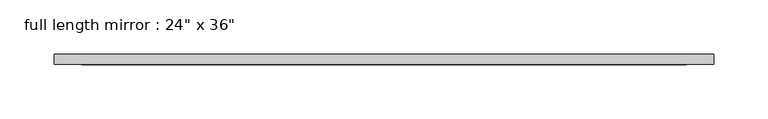
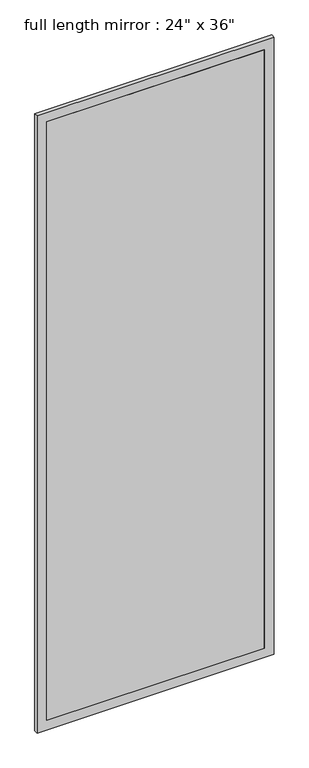
"""IFC4 building model written with IfcOpenShell, lengths in millimetres: proxy geometry."""

import ifcopenshell
import ifcopenshell.guid

model = None  # the IFC model being written
_history = None  # IfcOwnerHistory: only IFC2X3 demands one
_inside = {}  # id of a spatial element -> (the spatial element, [elements in it])
_under = {}  # id of a project, library or spatial element -> (it, [spatial elements below it])
_declared = {}  # id of a project -> (the project, [libraries it declares])
_typed = {}  # id of a type object -> (the type object, [elements of that type])
_made_of = {}  # id of a material, layer set ... -> (it, [elements and type objects made of it])


def new_model(schema):
    """Start an empty IFC model of exactly this schema.

    Asked for "IFC4X3", IfcOpenShell would pick the latest addendum, in which some entities
    have other attributes; the version numbers below select the first issue.
    IFC2X3 requires an IfcOwnerHistory on every rooted entity: one is made here for all.
    """
    global model, _history
    if schema == "IFC4X3":
        model = ifcopenshell.file(schema_version=(4, 3, 0, 0))
    else:
        model = ifcopenshell.file(schema=schema)
    _inside.clear()
    _under.clear()
    _declared.clear()
    _typed.clear()
    _made_of.clear()
    _history = None
    if model.schema == "IFC2X3":
        org = make("IfcOrganization", Name="unknown")
        user = make(
            "IfcPersonAndOrganization",
            ThePerson=make("IfcPerson", FamilyName="unknown"),
            TheOrganization=org,
        )
        app = make(
            "IfcApplication",
            ApplicationDeveloper=org,
            Version="unknown",
            ApplicationFullName="unknown",
            ApplicationIdentifier="unknown",
        )
        _history = make(
            "IfcOwnerHistory",
            OwningUser=user,
            OwningApplication=app,
            ChangeAction="ADDED",
            CreationDate=0,
        )
    return model


def make(cls, **values):
    """One entity of the class cls with the attributes given. An attribute that is None is left unset."""
    return model.create_entity(
        cls, **{name: value for name, value in values.items() if value is not None}
    )


def rooted(cls, **values):
    """An entity with a GlobalId (a new one), such as an element, a storey or a relation."""
    return make(cls, GlobalId=ifcopenshell.guid.new(), OwnerHistory=_history, **values)


def si_unit(unit_type, name, prefix=None):
    """IfcSIUnit, for example si_unit("LENGTHUNIT", "METRE", prefix="MILLI")."""
    return make("IfcSIUnit", UnitType=unit_type, Prefix=prefix, Name=name)


def assignment(units):
    """IfcUnitAssignment: the units of a project."""
    return None if units is None else make("IfcUnitAssignment", Units=units)


def point(xyz):
    """IfcCartesianPoint."""
    return None if xyz is None else make("IfcCartesianPoint", Coordinates=xyz)


def direction(xyz):
    """IfcDirection."""
    return None if xyz is None else make("IfcDirection", DirectionRatios=xyz)


def frame(location, z_axis=None, x_axis=None):
    """IfcAxis2Placement3D, a coordinate frame: its origin and axes. An axis left out is left unset."""
    return make(
        "IfcAxis2Placement3D",
        Location=point(location),
        Axis=direction(z_axis),
        RefDirection=direction(x_axis),
    )


def origin():
    """The frame at (0, 0, 0) with its axes left unset."""
    return frame((0.0, 0.0, 0.0))


def place(relative_to, where):
    """IfcLocalPlacement: puts the frame where relative to a parent placement (None: the world)."""
    return make(
        "IfcLocalPlacement", PlacementRelTo=relative_to, RelativePlacement=where
    )


def context(
    kind, dimensions, precision=None, world=None, true_north=None, identifier=None
):
    """IfcGeometricRepresentationContext, for example the 3D "Model" context."""
    return make(
        "IfcGeometricRepresentationContext",
        ContextIdentifier=identifier,
        ContextType=kind,
        CoordinateSpaceDimension=dimensions,
        Precision=precision,
        WorldCoordinateSystem=world,
        TrueNorth=true_north,
    )


def project(units=None, contexts=None):
    """IfcProject with its units and contexts."""
    return rooted(
        "IfcProject",
        Name="project",
        RepresentationContexts=contexts,
        UnitsInContext=assignment(units),
    )


def spatial(cls, under=None, at=None, **own):
    """A site, building, storey or space (cls), placed at a placement, below another one or the project."""
    s = rooted(cls, ObjectPlacement=at, **own)
    if under is not None:
        _under.setdefault(under.id(), (under, []))[1].append(s)
    return s


def polyline(points):
    """IfcPolyline through the points."""
    return make("IfcPolyline", Points=[point(p) for p in points])


def outline(outer, holes=None, kind="AREA"):
    """IfcArbitraryClosedProfileDef: a profile drawn as a closed curve; with holes, ...WithVoids."""
    if holes is None:
        return make("IfcArbitraryClosedProfileDef", ProfileType=kind, OuterCurve=outer)
    return make(
        "IfcArbitraryProfileDefWithVoids",
        ProfileType=kind,
        OuterCurve=outer,
        InnerCurves=holes,
    )


def extrude(swept, where, along, depth):
    """IfcExtrudedAreaSolid: the profile swept, set in the frame where, extruded along a direction by depth."""
    return make(
        "IfcExtrudedAreaSolid",
        SweptArea=swept,
        Position=where,
        ExtrudedDirection=direction(along),
        Depth=depth,
    )


def shape(context_of_items, identifier, shape_type, items):
    """IfcShapeRepresentation: the items that make up one representation, for example the "Body"."""
    return make(
        "IfcShapeRepresentation",
        ContextOfItems=context_of_items,
        RepresentationIdentifier=identifier,
        RepresentationType=shape_type,
        Items=items,
    )


def source(mapping_origin, context_of_items, identifier, shape_type, items):
    """IfcRepresentationMap: a shape defined once, which mapped items show again and again."""
    return make(
        "IfcRepresentationMap",
        MappingOrigin=mapping_origin,
        MappedRepresentation=shape(context_of_items, identifier, shape_type, items),
    )


def transform(
    local_origin,
    x_axis=None,
    y_axis=None,
    z_axis=None,
    scale=None,
    scale2=None,
    scale3=None,
    uniform=True,
):
    """IfcCartesianTransformationOperator3D, or its non-uniform kind. x_axis, y_axis, z_axis: its Axis1, 2, 3."""
    if uniform:
        return make(
            "IfcCartesianTransformationOperator3D",
            Axis1=direction(x_axis),
            Axis2=direction(y_axis),
            LocalOrigin=point(local_origin),
            Scale=scale,
            Axis3=direction(z_axis),
        )
    return make(
        "IfcCartesianTransformationOperator3DnonUniform",
        Axis1=direction(x_axis),
        Axis2=direction(y_axis),
        LocalOrigin=point(local_origin),
        Scale=scale,
        Axis3=direction(z_axis),
        Scale2=scale2,
        Scale3=scale3,
    )


def mapped(mapping_source, mapping_target):
    """IfcMappedItem: shows the shape of a source again, moved by a transform."""
    return make(
        "IfcMappedItem", MappingSource=mapping_source, MappingTarget=mapping_target
    )


def made_of(thing, what):
    """Note that an element or type object is made of a material, layer set ...; save() writes the relation."""
    if what is not None:
        _made_of.setdefault(what.id(), (what, []))[1].append(thing)
    return thing


def element(
    cls,
    number,
    at=None,
    inside=None,
    cuts=None,
    type_object=None,
    material=None,
    context=None,
    identifier="Body",
    shape_type=None,
    held_by="IfcProductDefinitionShape",
    body=None,
    shapes=None,
    **own,
):
    """One element of the class cls, such as IfcWall. Its Tag is "e" and its number.

    at: its placement. inside: the storey or other place that contains it. cuts: it is an
    opening in that element (IfcRelVoidsElement). A single representation is given by context,
    identifier, shape_type and body (its items); several are given by shapes. held_by: the class
    of the entity that holds the representations. save() writes the other relations.
    """
    e = rooted(cls, Tag="e%d" % number, ObjectPlacement=at, **own)
    if body is not None:
        shapes = [shape(context, identifier, shape_type, body)]
    if shapes is not None:
        e.Representation = make(held_by, Representations=shapes)
    if inside is not None:
        _inside.setdefault(inside.id(), (inside, []))[1].append(e)
    if cuts is not None:
        rooted(
            "IfcRelVoidsElement", RelatingBuildingElement=cuts, RelatedOpeningElement=e
        )
    if type_object is not None:
        _typed.setdefault(type_object.id(), (type_object, []))[1].append(e)
    return made_of(e, material)


def aggregate(whole, parts):
    """IfcRelAggregates: a whole, such as a stair, and the parts it consists of."""
    return rooted("IfcRelAggregates", RelatingObject=whole, RelatedObjects=parts)


def save(model, path):
    """Write the relations noted so far, then the file.

    IfcRelAggregates (storeys below a building ...), IfcRelContainedInSpatialStructure (elements
    in a storey), IfcRelDefinesByType, IfcRelAssociatesMaterial and IfcRelDeclares: one each for
    every whole, place, type object, material and project.
    """
    for whole, parts in _under.values():
        aggregate(whole, parts)
    for where, things in _inside.values():
        rooted(
            "IfcRelContainedInSpatialStructure",
            RelatedElements=things,
            RelatingStructure=where,
        )
    for kind, things in _typed.values():
        rooted("IfcRelDefinesByType", RelatedObjects=things, RelatingType=kind)
    for what, things in _made_of.values():
        rooted("IfcRelAssociatesMaterial", RelatedObjects=things, RelatingMaterial=what)
    for by, libraries in _declared.values():
        rooted("IfcRelDeclares", RelatingContext=by, RelatedDefinitions=libraries)
    model.write(path)


def proxy_89c55b85(model_context):
    return source(origin(), model_context, "Body", "SweptSolid", [
        extrude(outline(polyline([(279.4, 152.4), (-279.4, 152.4), (-279.4, 158.75), (279.4, 158.75), (279.4, 152.4)])), frame((0.0, 0.0, 177.8), z_axis=(0.0, 0.0, 1.0), x_axis=(1.0, 0.0, 0.0)), (0.0, 0.0, 1.0), 1625.6),
        extrude(outline(polyline([(1828.8, -304.8), (152.4, -304.8), (152.4, 304.8), (1828.8, 304.8), (1828.8, -304.8)]), holes=[polyline([(1803.4, -279.4), (1803.4, 279.4), (177.8, 279.4), (177.8, -279.4), (1803.4, -279.4)])]), frame((0.0, 152.4, 0.0), z_axis=(0.0, 1.0, 0.0), x_axis=(0.0, 0.0, 1.0)), (0.0, 0.0, 1.0), 9.525),
    ])


if __name__ == "__main__":
    model = new_model("IFC4")
    model_context = context("Model", 3, world=origin())
    ifc_project = project(units=[si_unit("LENGTHUNIT", "METRE", prefix="MILLI")], contexts=[model_context])
    site = spatial("IfcSite", under=ifc_project)
    building = spatial("IfcBuilding", under=site)
    placement = place(None, origin())
    proxy_shape = proxy_89c55b85(model_context)
    element("IfcBuildingElementProxy", 1, Name="full length mirror : 24\" x 36\"", ObjectType="full length mirror : 24\" x 36\"", at=placement, inside=building, context=model_context, shape_type="MappedRepresentation", body=[
        mapped(proxy_shape, transform((0.0, 0.0, 0.0), x_axis=(1.0, 0.0, 0.0), y_axis=(0.0, 1.0, 0.0), z_axis=(0.0, 0.0, 1.0))),
    ])
    save(model, "model.ifc")
